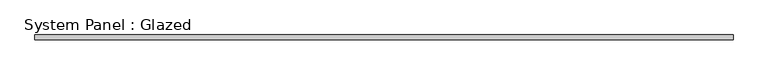
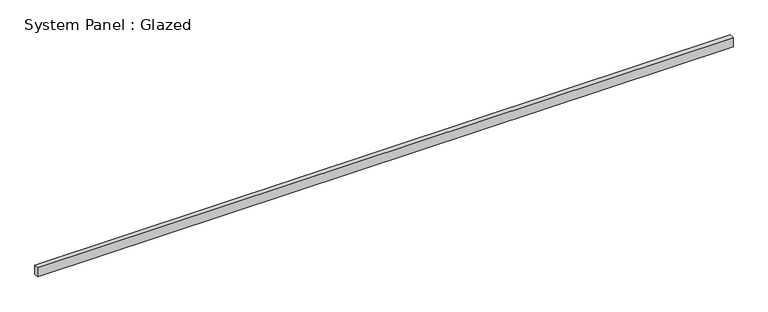
"""IFC4 building model written with IfcOpenShell, lengths in millimetres: plate geometry, System Panel : Glazed."""

import ifcopenshell
import ifcopenshell.guid

model = None  # the IFC model being written
_history = None  # IfcOwnerHistory: only IFC2X3 demands one
_inside = {}  # id of a spatial element -> (the spatial element, [elements in it])
_under = {}  # id of a project, library or spatial element -> (it, [spatial elements below it])
_declared = {}  # id of a project -> (the project, [libraries it declares])
_typed = {}  # id of a type object -> (the type object, [elements of that type])
_made_of = {}  # id of a material, layer set ... -> (it, [elements and type objects made of it])


def new_model(schema):
    """Start an empty IFC model of exactly this schema.

    Asked for "IFC4X3", IfcOpenShell would pick the latest addendum, in which some entities
    have other attributes; the version numbers below select the first issue.
    IFC2X3 requires an IfcOwnerHistory on every rooted entity: one is made here for all.
    """
    global model, _history
    if schema == "IFC4X3":
        model = ifcopenshell.file(schema_version=(4, 3, 0, 0))
    else:
        model = ifcopenshell.file(schema=schema)
    _inside.clear()
    _under.clear()
    _declared.clear()
    _typed.clear()
    _made_of.clear()
    _history = None
    if model.schema == "IFC2X3":
        org = make("IfcOrganization", Name="unknown")
        user = make(
            "IfcPersonAndOrganization",
            ThePerson=make("IfcPerson", FamilyName="unknown"),
            TheOrganization=org,
        )
        app = make(
            "IfcApplication",
            ApplicationDeveloper=org,
            Version="unknown",
            ApplicationFullName="unknown",
            ApplicationIdentifier="unknown",
        )
        _history = make(
            "IfcOwnerHistory",
            OwningUser=user,
            OwningApplication=app,
            ChangeAction="ADDED",
            CreationDate=0,
        )
    return model


def make(cls, **values):
    """One entity of the class cls with the attributes given. An attribute that is None is left unset."""
    return model.create_entity(
        cls, **{name: value for name, value in values.items() if value is not None}
    )


def rooted(cls, **values):
    """An entity with a GlobalId (a new one), such as an element, a storey or a relation."""
    return make(cls, GlobalId=ifcopenshell.guid.new(), OwnerHistory=_history, **values)


def si_unit(unit_type, name, prefix=None):
    """IfcSIUnit, for example si_unit("LENGTHUNIT", "METRE", prefix="MILLI")."""
    return make("IfcSIUnit", UnitType=unit_type, Prefix=prefix, Name=name)


def assignment(units):
    """IfcUnitAssignment: the units of a project."""
    return None if units is None else make("IfcUnitAssignment", Units=units)


def point(xyz):
    """IfcCartesianPoint."""
    return None if xyz is None else make("IfcCartesianPoint", Coordinates=xyz)


def direction(xyz):
    """IfcDirection."""
    return None if xyz is None else make("IfcDirection", DirectionRatios=xyz)


def frame(location, z_axis=None, x_axis=None):
    """IfcAxis2Placement3D, a coordinate frame: its origin and axes. An axis left out is left unset."""
    return make(
        "IfcAxis2Placement3D",
        Location=point(location),
        Axis=direction(z_axis),
        RefDirection=direction(x_axis),
    )


def origin():
    """The frame at (0, 0, 0) with its axes left unset."""
    return frame((0.0, 0.0, 0.0))


def origin_with_axes():
    """The frame at (0, 0, 0) with the z axis (0, 0, 1) and the x axis (1, 0, 0) written out."""
    return frame((0.0, 0.0, 0.0), z_axis=(0.0, 0.0, 1.0), x_axis=(1.0, 0.0, 0.0))


def place(relative_to, where):
    """IfcLocalPlacement: puts the frame where relative to a parent placement (None: the world)."""
    return make(
        "IfcLocalPlacement", PlacementRelTo=relative_to, RelativePlacement=where
    )


def context(
    kind, dimensions, precision=None, world=None, true_north=None, identifier=None
):
    """IfcGeometricRepresentationContext, for example the 3D "Model" context."""
    return make(
        "IfcGeometricRepresentationContext",
        ContextIdentifier=identifier,
        ContextType=kind,
        CoordinateSpaceDimension=dimensions,
        Precision=precision,
        WorldCoordinateSystem=world,
        TrueNorth=true_north,
    )


def project(units=None, contexts=None):
    """IfcProject with its units and contexts."""
    return rooted(
        "IfcProject",
        Name="project",
        RepresentationContexts=contexts,
        UnitsInContext=assignment(units),
    )


def spatial(cls, under=None, at=None, **own):
    """A site, building, storey or space (cls), placed at a placement, below another one or the project."""
    s = rooted(cls, ObjectPlacement=at, **own)
    if under is not None:
        _under.setdefault(under.id(), (under, []))[1].append(s)
    return s


def polyline(points):
    """IfcPolyline through the points."""
    return make("IfcPolyline", Points=[point(p) for p in points])


def outline(outer, holes=None, kind="AREA"):
    """IfcArbitraryClosedProfileDef: a profile drawn as a closed curve; with holes, ...WithVoids."""
    if holes is None:
        return make("IfcArbitraryClosedProfileDef", ProfileType=kind, OuterCurve=outer)
    return make(
        "IfcArbitraryProfileDefWithVoids",
        ProfileType=kind,
        OuterCurve=outer,
        InnerCurves=holes,
    )


def extrude(swept, where, along, depth):
    """IfcExtrudedAreaSolid: the profile swept, set in the frame where, extruded along a direction by depth."""
    return make(
        "IfcExtrudedAreaSolid",
        SweptArea=swept,
        Position=where,
        ExtrudedDirection=direction(along),
        Depth=depth,
    )


def shape(context_of_items, identifier, shape_type, items):
    """IfcShapeRepresentation: the items that make up one representation, for example the "Body"."""
    return make(
        "IfcShapeRepresentation",
        ContextOfItems=context_of_items,
        RepresentationIdentifier=identifier,
        RepresentationType=shape_type,
        Items=items,
    )


def source(mapping_origin, context_of_items, identifier, shape_type, items):
    """IfcRepresentationMap: a shape defined once, which mapped items show again and again."""
    return make(
        "IfcRepresentationMap",
        MappingOrigin=mapping_origin,
        MappedRepresentation=shape(context_of_items, identifier, shape_type, items),
    )


def transform(
    local_origin,
    x_axis=None,
    y_axis=None,
    z_axis=None,
    scale=None,
    scale2=None,
    scale3=None,
    uniform=True,
):
    """IfcCartesianTransformationOperator3D, or its non-uniform kind. x_axis, y_axis, z_axis: its Axis1, 2, 3."""
    if uniform:
        return make(
            "IfcCartesianTransformationOperator3D",
            Axis1=direction(x_axis),
            Axis2=direction(y_axis),
            LocalOrigin=point(local_origin),
            Scale=scale,
            Axis3=direction(z_axis),
        )
    return make(
        "IfcCartesianTransformationOperator3DnonUniform",
        Axis1=direction(x_axis),
        Axis2=direction(y_axis),
        LocalOrigin=point(local_origin),
        Scale=scale,
        Axis3=direction(z_axis),
        Scale2=scale2,
        Scale3=scale3,
    )


def mapped(mapping_source, mapping_target):
    """IfcMappedItem: shows the shape of a source again, moved by a transform."""
    return make(
        "IfcMappedItem", MappingSource=mapping_source, MappingTarget=mapping_target
    )


def made_of(thing, what):
    """Note that an element or type object is made of a material, layer set ...; save() writes the relation."""
    if what is not None:
        _made_of.setdefault(what.id(), (what, []))[1].append(thing)
    return thing


def element(
    cls,
    number,
    at=None,
    inside=None,
    cuts=None,
    type_object=None,
    material=None,
    context=None,
    identifier="Body",
    shape_type=None,
    held_by="IfcProductDefinitionShape",
    body=None,
    shapes=None,
    **own,
):
    """One element of the class cls, such as IfcWall. Its Tag is "e" and its number.

    at: its placement. inside: the storey or other place that contains it. cuts: it is an
    opening in that element (IfcRelVoidsElement). A single representation is given by context,
    identifier, shape_type and body (its items); several are given by shapes. held_by: the class
    of the entity that holds the representations. save() writes the other relations.
    """
    e = rooted(cls, Tag="e%d" % number, ObjectPlacement=at, **own)
    if body is not None:
        shapes = [shape(context, identifier, shape_type, body)]
    if shapes is not None:
        e.Representation = make(held_by, Representations=shapes)
    if inside is not None:
        _inside.setdefault(inside.id(), (inside, []))[1].append(e)
    if cuts is not None:
        rooted(
            "IfcRelVoidsElement", RelatingBuildingElement=cuts, RelatedOpeningElement=e
        )
    if type_object is not None:
        _typed.setdefault(type_object.id(), (type_object, []))[1].append(e)
    return made_of(e, material)


def aggregate(whole, parts):
    """IfcRelAggregates: a whole, such as a stair, and the parts it consists of."""
    return rooted("IfcRelAggregates", RelatingObject=whole, RelatedObjects=parts)


def save(model, path):
    """Write the relations noted so far, then the file.

    IfcRelAggregates (storeys below a building ...), IfcRelContainedInSpatialStructure (elements
    in a storey), IfcRelDefinesByType, IfcRelAssociatesMaterial and IfcRelDeclares: one each for
    every whole, place, type object, material and project.
    """
    for whole, parts in _under.values():
        aggregate(whole, parts)
    for where, things in _inside.values():
        rooted(
            "IfcRelContainedInSpatialStructure",
            RelatedElements=things,
            RelatingStructure=where,
        )
    for kind, things in _typed.values():
        rooted("IfcRelDefinesByType", RelatedObjects=things, RelatingType=kind)
    for what, things in _made_of.values():
        rooted("IfcRelAssociatesMaterial", RelatedObjects=things, RelatingMaterial=what)
    for by, libraries in _declared.values():
        rooted("IfcRelDeclares", RelatingContext=by, RelatedDefinitions=libraries)
    model.write(path)


def system_panel_glazed_43f163ce(model_context):
    return source(origin(), model_context, "Body", "SweptSolid", [
        extrude(outline(polyline([(1827.0892095, 24.5), (-1827.0892095, 24.5), (-1827.0892095, 49.5), (1827.0892095, 49.5), (1827.0892095, 24.5)])), origin_with_axes(), (0.0, 0.0, 1.0), 50.0),
    ])


if __name__ == "__main__":
    model = new_model("IFC4")
    model_context = context("Model", 3, world=origin())
    ifc_project = project(units=[si_unit("LENGTHUNIT", "METRE", prefix="MILLI")], contexts=[model_context])
    site = spatial("IfcSite", under=ifc_project)
    building = spatial("IfcBuilding", under=site)
    placement = place(None, origin())
    system_panel_glazed_shape = system_panel_glazed_43f163ce(model_context)
    element("IfcPlate", 1, ObjectType="System Panel : Glazed", at=placement, inside=building, context=model_context, shape_type="MappedRepresentation", body=[
        mapped(system_panel_glazed_shape, transform((0.0, 0.0, 0.0), x_axis=(1.0, 0.0, 0.0), y_axis=(0.0, 1.0, 0.0), z_axis=(0.0, 0.0, 1.0))),
    ])
    save(model, "model.ifc")
